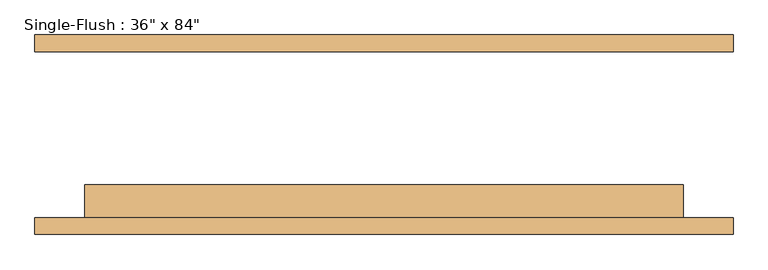
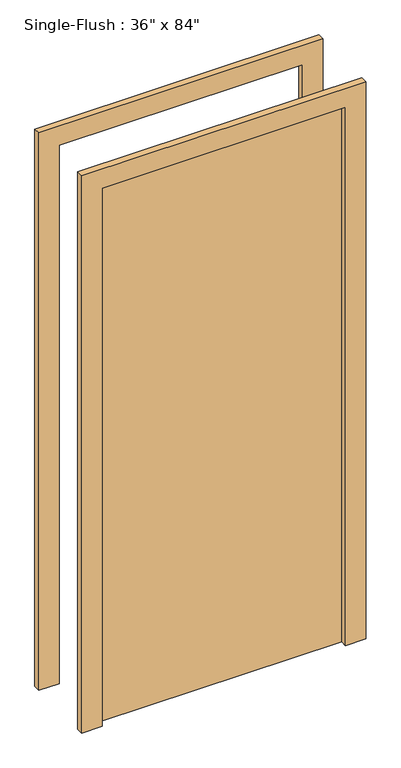
"""IFC4 building model written with IfcOpenShell, lengths in millimetres: door geometry."""

import ifcopenshell
import ifcopenshell.guid

model = None  # the IFC model being written
_history = None  # IfcOwnerHistory: only IFC2X3 demands one
_inside = {}  # id of a spatial element -> (the spatial element, [elements in it])
_under = {}  # id of a project, library or spatial element -> (it, [spatial elements below it])
_declared = {}  # id of a project -> (the project, [libraries it declares])
_typed = {}  # id of a type object -> (the type object, [elements of that type])
_made_of = {}  # id of a material, layer set ... -> (it, [elements and type objects made of it])


def new_model(schema):
    """Start an empty IFC model of exactly this schema.

    Asked for "IFC4X3", IfcOpenShell would pick the latest addendum, in which some entities
    have other attributes; the version numbers below select the first issue.
    IFC2X3 requires an IfcOwnerHistory on every rooted entity: one is made here for all.
    """
    global model, _history
    if schema == "IFC4X3":
        model = ifcopenshell.file(schema_version=(4, 3, 0, 0))
    else:
        model = ifcopenshell.file(schema=schema)
    _inside.clear()
    _under.clear()
    _declared.clear()
    _typed.clear()
    _made_of.clear()
    _history = None
    if model.schema == "IFC2X3":
        org = make("IfcOrganization", Name="unknown")
        user = make(
            "IfcPersonAndOrganization",
            ThePerson=make("IfcPerson", FamilyName="unknown"),
            TheOrganization=org,
        )
        app = make(
            "IfcApplication",
            ApplicationDeveloper=org,
            Version="unknown",
            ApplicationFullName="unknown",
            ApplicationIdentifier="unknown",
        )
        _history = make(
            "IfcOwnerHistory",
            OwningUser=user,
            OwningApplication=app,
            ChangeAction="ADDED",
            CreationDate=0,
        )
    return model


def make(cls, **values):
    """One entity of the class cls with the attributes given. An attribute that is None is left unset."""
    return model.create_entity(
        cls, **{name: value for name, value in values.items() if value is not None}
    )


def rooted(cls, **values):
    """An entity with a GlobalId (a new one), such as an element, a storey or a relation."""
    return make(cls, GlobalId=ifcopenshell.guid.new(), OwnerHistory=_history, **values)


def si_unit(unit_type, name, prefix=None):
    """IfcSIUnit, for example si_unit("LENGTHUNIT", "METRE", prefix="MILLI")."""
    return make("IfcSIUnit", UnitType=unit_type, Prefix=prefix, Name=name)


def assignment(units):
    """IfcUnitAssignment: the units of a project."""
    return None if units is None else make("IfcUnitAssignment", Units=units)


def point(xyz):
    """IfcCartesianPoint."""
    return None if xyz is None else make("IfcCartesianPoint", Coordinates=xyz)


def direction(xyz):
    """IfcDirection."""
    return None if xyz is None else make("IfcDirection", DirectionRatios=xyz)


def frame(location, z_axis=None, x_axis=None):
    """IfcAxis2Placement3D, a coordinate frame: its origin and axes. An axis left out is left unset."""
    return make(
        "IfcAxis2Placement3D",
        Location=point(location),
        Axis=direction(z_axis),
        RefDirection=direction(x_axis),
    )


def origin():
    """The frame at (0, 0, 0) with its axes left unset."""
    return frame((0.0, 0.0, 0.0))


def origin_with_axes():
    """The frame at (0, 0, 0) with the z axis (0, 0, 1) and the x axis (1, 0, 0) written out."""
    return frame((0.0, 0.0, 0.0), z_axis=(0.0, 0.0, 1.0), x_axis=(1.0, 0.0, 0.0))


def place(relative_to, where):
    """IfcLocalPlacement: puts the frame where relative to a parent placement (None: the world)."""
    return make(
        "IfcLocalPlacement", PlacementRelTo=relative_to, RelativePlacement=where
    )


def context(
    kind, dimensions, precision=None, world=None, true_north=None, identifier=None
):
    """IfcGeometricRepresentationContext, for example the 3D "Model" context."""
    return make(
        "IfcGeometricRepresentationContext",
        ContextIdentifier=identifier,
        ContextType=kind,
        CoordinateSpaceDimension=dimensions,
        Precision=precision,
        WorldCoordinateSystem=world,
        TrueNorth=true_north,
    )


def project(units=None, contexts=None):
    """IfcProject with its units and contexts."""
    return rooted(
        "IfcProject",
        Name="project",
        RepresentationContexts=contexts,
        UnitsInContext=assignment(units),
    )


def spatial(cls, under=None, at=None, **own):
    """A site, building, storey or space (cls), placed at a placement, below another one or the project."""
    s = rooted(cls, ObjectPlacement=at, **own)
    if under is not None:
        _under.setdefault(under.id(), (under, []))[1].append(s)
    return s


def polyline(points):
    """IfcPolyline through the points."""
    return make("IfcPolyline", Points=[point(p) for p in points])


def outline(outer, holes=None, kind="AREA"):
    """IfcArbitraryClosedProfileDef: a profile drawn as a closed curve; with holes, ...WithVoids."""
    if holes is None:
        return make("IfcArbitraryClosedProfileDef", ProfileType=kind, OuterCurve=outer)
    return make(
        "IfcArbitraryProfileDefWithVoids",
        ProfileType=kind,
        OuterCurve=outer,
        InnerCurves=holes,
    )


def extrude(swept, where, along, depth):
    """IfcExtrudedAreaSolid: the profile swept, set in the frame where, extruded along a direction by depth."""
    return make(
        "IfcExtrudedAreaSolid",
        SweptArea=swept,
        Position=where,
        ExtrudedDirection=direction(along),
        Depth=depth,
    )


def shape(context_of_items, identifier, shape_type, items):
    """IfcShapeRepresentation: the items that make up one representation, for example the "Body"."""
    return make(
        "IfcShapeRepresentation",
        ContextOfItems=context_of_items,
        RepresentationIdentifier=identifier,
        RepresentationType=shape_type,
        Items=items,
    )


def source(mapping_origin, context_of_items, identifier, shape_type, items):
    """IfcRepresentationMap: a shape defined once, which mapped items show again and again."""
    return make(
        "IfcRepresentationMap",
        MappingOrigin=mapping_origin,
        MappedRepresentation=shape(context_of_items, identifier, shape_type, items),
    )


def transform(
    local_origin,
    x_axis=None,
    y_axis=None,
    z_axis=None,
    scale=None,
    scale2=None,
    scale3=None,
    uniform=True,
):
    """IfcCartesianTransformationOperator3D, or its non-uniform kind. x_axis, y_axis, z_axis: its Axis1, 2, 3."""
    if uniform:
        return make(
            "IfcCartesianTransformationOperator3D",
            Axis1=direction(x_axis),
            Axis2=direction(y_axis),
            LocalOrigin=point(local_origin),
            Scale=scale,
            Axis3=direction(z_axis),
        )
    return make(
        "IfcCartesianTransformationOperator3DnonUniform",
        Axis1=direction(x_axis),
        Axis2=direction(y_axis),
        LocalOrigin=point(local_origin),
        Scale=scale,
        Axis3=direction(z_axis),
        Scale2=scale2,
        Scale3=scale3,
    )


def mapped(mapping_source, mapping_target):
    """IfcMappedItem: shows the shape of a source again, moved by a transform."""
    return make(
        "IfcMappedItem", MappingSource=mapping_source, MappingTarget=mapping_target
    )


def made_of(thing, what):
    """Note that an element or type object is made of a material, layer set ...; save() writes the relation."""
    if what is not None:
        _made_of.setdefault(what.id(), (what, []))[1].append(thing)
    return thing


def element(
    cls,
    number,
    at=None,
    inside=None,
    cuts=None,
    type_object=None,
    material=None,
    context=None,
    identifier="Body",
    shape_type=None,
    held_by="IfcProductDefinitionShape",
    body=None,
    shapes=None,
    **own,
):
    """One element of the class cls, such as IfcWall. Its Tag is "e" and its number.

    at: its placement. inside: the storey or other place that contains it. cuts: it is an
    opening in that element (IfcRelVoidsElement). A single representation is given by context,
    identifier, shape_type and body (its items); several are given by shapes. held_by: the class
    of the entity that holds the representations. save() writes the other relations.
    """
    e = rooted(cls, Tag="e%d" % number, ObjectPlacement=at, **own)
    if body is not None:
        shapes = [shape(context, identifier, shape_type, body)]
    if shapes is not None:
        e.Representation = make(held_by, Representations=shapes)
    if inside is not None:
        _inside.setdefault(inside.id(), (inside, []))[1].append(e)
    if cuts is not None:
        rooted(
            "IfcRelVoidsElement", RelatingBuildingElement=cuts, RelatedOpeningElement=e
        )
    if type_object is not None:
        _typed.setdefault(type_object.id(), (type_object, []))[1].append(e)
    return made_of(e, material)


def aggregate(whole, parts):
    """IfcRelAggregates: a whole, such as a stair, and the parts it consists of."""
    return rooted("IfcRelAggregates", RelatingObject=whole, RelatedObjects=parts)


def save(model, path):
    """Write the relations noted so far, then the file.

    IfcRelAggregates (storeys below a building ...), IfcRelContainedInSpatialStructure (elements
    in a storey), IfcRelDefinesByType, IfcRelAssociatesMaterial and IfcRelDeclares: one each for
    every whole, place, type object, material and project.
    """
    for whole, parts in _under.values():
        aggregate(whole, parts)
    for where, things in _inside.values():
        rooted(
            "IfcRelContainedInSpatialStructure",
            RelatedElements=things,
            RelatingStructure=where,
        )
    for kind, things in _typed.values():
        rooted("IfcRelDefinesByType", RelatedObjects=things, RelatingType=kind)
    for what, things in _made_of.values():
        rooted("IfcRelAssociatesMaterial", RelatedObjects=things, RelatingMaterial=what)
    for by, libraries in _declared.values():
        rooted("IfcRelDeclares", RelatingContext=by, RelatedDefinitions=libraries)
    model.write(path)


def door_9d8f1ff2(model_context):
    return source(origin(), model_context, "Body", "SweptSolid", [
        extrude(outline(polyline([(2209.8, -533.4), (0.0, -533.4), (0.0, -457.2), (2133.6, -457.2), (2133.6, 457.2), (0.0, 457.2), (0.0, 533.4), (2209.8, 533.4), (2209.8, -533.4)])), frame((0.0, -152.4, 0.0), z_axis=(0.0, 1.0, 0.0), x_axis=(0.0, 0.0, 1.0)), (0.0, 0.0, 1.0), 25.4),
        extrude(outline(polyline([(2209.8, 533.4), (2209.8, -533.4), (0.0, -533.4), (0.0, -457.2), (2133.6, -457.2), (2133.6, 457.2), (0.0, 457.2), (0.0, 533.4), (2209.8, 533.4)])), frame((0.0, 127.0, 0.0), z_axis=(0.0, 1.0, 0.0), x_axis=(0.0, 0.0, 1.0)), (0.0, 0.0, 1.0), 25.4),
        extrude(outline(polyline([(457.2, -76.2), (457.2, -127.0), (-457.2, -127.0), (-457.2, -76.2), (457.2, -76.2)])), origin_with_axes(), (0.0, 0.0, 1.0), 2133.6),
    ])


if __name__ == "__main__":
    model = new_model("IFC4")
    model_context = context("Model", 3, world=origin())
    ifc_project = project(units=[si_unit("LENGTHUNIT", "METRE", prefix="MILLI")], contexts=[model_context])
    site = spatial("IfcSite", under=ifc_project)
    building = spatial("IfcBuilding", under=site)
    placement = place(None, origin())
    door_shape = door_9d8f1ff2(model_context)
    element("IfcDoor", 1, ObjectType="Single-Flush : 36\" x 84\"", at=placement, inside=building, context=model_context, shape_type="MappedRepresentation", body=[
        mapped(door_shape, transform((0.0, 0.0, 0.0), x_axis=(1.0, 0.0, 0.0), y_axis=(0.0, 1.0, 0.0), z_axis=(0.0, 0.0, 1.0))),
    ])
    save(model, "model.ifc")
